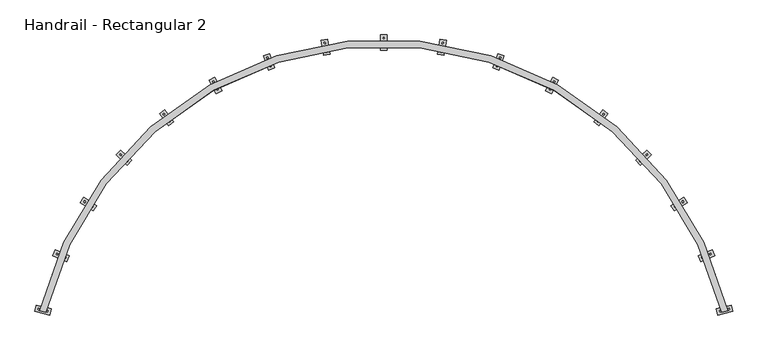
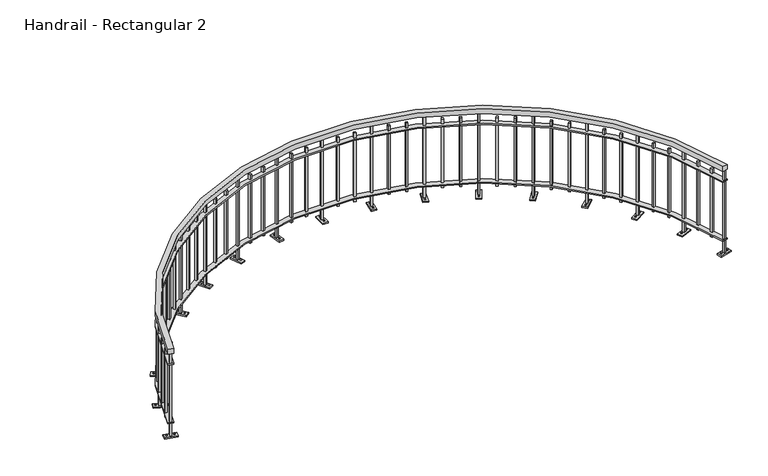
"""IFC4 building model written with IfcOpenShell, lengths in millimetres: railing geometry, Handrail - Rectangular 2."""

from ifc_helpers import new_model, si_unit, point, frame, frame_2d, origin, place, context, project, spatial, polyline, circle_curve, trimmed, segment, composite_curve, outline, extrude, faceted_brep, source, transform, mapped, element, save


def handrail_rectangular_2_38f22702(model_context):
    return source(origin(), model_context, "Body", "SolidModel", [
        extrude(outline(composite_curve([segment(trimmed(circle_curve(frame_2d((-3927.3747421, -3826.2403737)), 2768.6555182), [point((-1235.6807974, -3177.9834132))], [point((-6619.0686868, -3177.9834132))], True, "CARTESIAN"), True, "CONTINUOUS"), segment(polyline([(-6619.0686868, -3177.9834132), (-6668.4565761, -3166.0890286)]), True, "CONTINUOUS"), segment(trimmed(circle_curve(frame_2d((-3927.3747421, -3826.2403737)), 2819.4555182), [point((-6668.4565761, -3166.0890286))], [point((-1186.2929081, -3166.0890286))], False, "CARTESIAN"), True, "CONTINUOUS"), segment(polyline([(-1186.2929081, -3166.0890286), (-1235.6807974, -3177.9834132)]), True, "CONTINUOUS")], self_intersect=False)), frame((0.0, 0.0, 863.6), z_axis=(0.0, 0.0, 1.0), x_axis=(1.0, 0.0, 0.0)), (0.0, 0.0, 1.0), 50.8),
        extrude(outline(composite_curve([segment(trimmed(circle_curve(frame_2d((-3927.3747421, -3826.2403737)), 2768.6555182), [point((-1235.6807974, -3177.9834132))], [point((-6619.0686868, -3177.9834132))], True, "CARTESIAN"), True, "CONTINUOUS"), segment(polyline([(-6619.0686868, -3177.9834132), (-6668.4565761, -3166.0890286)]), True, "CONTINUOUS"), segment(trimmed(circle_curve(frame_2d((-3927.3747421, -3826.2403737)), 2819.4555182), [point((-6668.4565761, -3166.0890286))], [point((-1186.2929081, -3166.0890286))], False, "CARTESIAN"), True, "CONTINUOUS"), segment(polyline([(-1186.2929081, -3166.0890286), (-1235.6807974, -3177.9834132)]), True, "CONTINUOUS")], self_intersect=False)), frame((0.0, 0.0, 749.3), z_axis=(0.0, 0.0, 1.0), x_axis=(1.0, 0.0, 0.0)), (0.0, 0.0, 1.0), 12.7),
        extrude(outline(composite_curve([segment(trimmed(circle_curve(frame_2d((-3927.3747421, -3826.2403737)), 2768.6555182), [point((-1235.6807974, -3177.9834132))], [point((-6619.0686868, -3177.9834132))], True, "CARTESIAN"), True, "CONTINUOUS"), segment(polyline([(-6619.0686868, -3177.9834132), (-6668.4565761, -3166.0890286)]), True, "CONTINUOUS"), segment(trimmed(circle_curve(frame_2d((-3927.3747421, -3826.2403737)), 2819.4555182), [point((-6668.4565761, -3166.0890286))], [point((-1186.2929081, -3166.0890286))], False, "CARTESIAN"), True, "CONTINUOUS"), segment(polyline([(-1186.2929081, -3166.0890286), (-1235.6807974, -3177.9834132)]), True, "CONTINUOUS")], self_intersect=False)), frame((0.0, 0.0, 139.7), z_axis=(0.0, 0.0, 1.0), x_axis=(1.0, 0.0, 0.0)), (0.0, 0.0, 1.0), 12.7),
        extrude(outline(polyline([(-1263.4048487, -3015.7063894), (-1245.1608937, -3010.2236343), (-1239.6781386, -3028.4675894), (-1257.9220937, -3033.9503445), (-1263.4048487, -3015.7063894)])), frame((0.0, 0.0, 101.6), z_axis=(0.0, 0.0, 1.0), x_axis=(1.0, 0.0, 0.0)), (0.0, 0.0, 1.0), 711.2),
        extrude(outline(polyline([(-1312.5663392, -2868.9118258), (-1294.6552768, -2862.4236563), (-1288.1671073, -2880.3347187), (-1306.0781697, -2886.8228882), (-1312.5663392, -2868.9118258)])), frame((0.0, 0.0, 101.6), z_axis=(0.0, 0.0, 1.0), x_axis=(1.0, 0.0, 0.0)), (0.0, 0.0, 1.0), 711.2),
        faceted_brep([(-1311.7874406, -2683.0709327, 0.0), (-1291.8580272, -2729.7984245, 0.0), (-1402.83582, -2777.1307812, 0.0), (-1422.7652334, -2730.4032895, 0.0), (-1369.8098, -2725.0762173, 863.6), (-1352.2869906, -2717.6026873, 863.6), (-1352.2869906, -2717.6026873, 12.7), (-1369.8098, -2725.0762173, 12.7), (-1362.33627, -2742.5990267, 863.6), (-1362.33627, -2742.5990267, 12.7), (-1344.8134606, -2735.1254967, 863.6), (-1344.8134606, -2735.1254967, 12.7), (-1311.7874406, -2683.0709327, 12.7), (-1422.7652334, -2730.4032895, 12.7), (-1402.83582, -2777.1307812, 12.7), (-1291.8580272, -2729.7984245, 12.7)], [[[0, 1, 2, 3]], [[4, 5, 6, 7]], [[8, 4, 7, 9]], [[10, 8, 9, 11]], [[5, 10, 11, 6]], [[5, 4, 8, 10]], [[12, 13, 14, 15], [7, 6, 11, 9]], [[13, 12, 0, 3]], [[14, 13, 3, 2]], [[15, 14, 2, 1]], [[12, 15, 1, 0]]]),
        extrude(outline(polyline([(-1392.3133439, -2737.0577962), (-1385.0341259, -2737.9388858), (-1382.1575628, -2744.6834183), (-1386.5602178, -2750.5468612), (-1393.8394358, -2749.6657716), (-1396.7159988, -2742.9212391), (-1392.3133439, -2737.0577962)])), frame((0.0, 0.0, 12.7), z_axis=(0.0, 0.0, 1.0), x_axis=(1.0, 0.0, 0.0)), (0.0, 0.0, 1.0), 6.35),
        extrude(outline(polyline([(-1328.0630428, -2709.6548528), (-1320.7838248, -2710.5359424), (-1317.9072617, -2717.2804749), (-1322.3099167, -2723.1439178), (-1329.5891347, -2722.2628282), (-1332.4656977, -2715.5182957), (-1328.0630428, -2709.6548528)])), frame((0.0, 0.0, 12.7), z_axis=(0.0, 0.0, 1.0), x_axis=(1.0, 0.0, 0.0)), (0.0, 0.0, 1.0), 6.35),
        extrude(outline(polyline([(-1434.9583003, -2584.6441378), (-1417.8779042, -2576.2083467), (-1409.4421132, -2593.2887428), (-1426.5225093, -2601.7245338), (-1434.9583003, -2584.6441378)])), frame((0.0, 0.0, 101.6), z_axis=(0.0, 0.0, 1.0), x_axis=(1.0, 0.0, 0.0)), (0.0, 0.0, 1.0), 711.2),
        extrude(outline(polyline([(-1507.8104762, -2448.0496411), (-1491.2252863, -2438.6776628), (-1481.853308, -2455.2628527), (-1498.4384979, -2464.6348309), (-1507.8104762, -2448.0496411)])), frame((0.0, 0.0, 101.6), z_axis=(0.0, 0.0, 1.0), x_axis=(1.0, 0.0, 0.0)), (0.0, 0.0, 1.0), 711.2),
        faceted_brep([(-1537.8985061, -2264.6589252, 0.0), (-1510.4873109, -2307.428849, 0.0), (-1612.0658798, -2372.5304376, 0.0), (-1639.477075, -2329.7605138, 0.0), (-1588.1411528, -2315.7149198, 863.6), (-1572.1024313, -2305.4357216, 863.6), (-1572.1024313, -2305.4357216, 12.7), (-1588.1411528, -2315.7149198, 12.7), (-1577.8619546, -2331.7536412, 863.6), (-1577.8619546, -2331.7536412, 12.7), (-1561.8232332, -2321.474443, 863.6), (-1561.8232332, -2321.474443, 12.7), (-1537.8985061, -2264.6589252, 12.7), (-1639.477075, -2329.7605138, 12.7), (-1612.0658798, -2372.5304376, 12.7), (-1510.4873109, -2307.428849, 12.7)], [[[0, 1, 2, 3]], [[4, 5, 6, 7]], [[8, 4, 7, 9]], [[10, 8, 9, 11]], [[5, 10, 11, 6]], [[5, 4, 8, 10]], [[12, 13, 14, 15], [7, 6, 11, 9]], [[13, 12, 0, 3]], [[14, 13, 3, 2]], [[15, 14, 2, 1]], [[12, 15, 1, 0]]]),
        extrude(outline(polyline([(-1608.3429808, -2331.2665713), (-1601.0185077, -2330.9268253), (-1597.0620425, -2337.1001321), (-1600.4300503, -2343.6131848), (-1607.7545234, -2343.9529309), (-1611.7109886, -2337.7796241), (-1608.3429808, -2331.2665713)])), frame((0.0, 0.0, 12.7), z_axis=(0.0, 0.0, 1.0), x_axis=(1.0, 0.0, 0.0)), (0.0, 0.0, 1.0), 6.35),
        extrude(outline(polyline([(-1549.5343356, -2293.576178), (-1542.2098625, -2293.2364319), (-1538.2533973, -2299.4097387), (-1541.6214051, -2305.9227914), (-1548.9458782, -2306.2625375), (-1552.9023435, -2300.0892307), (-1549.5343356, -2293.576178)])), frame((0.0, 0.0, 12.7), z_axis=(0.0, 0.0, 1.0), x_axis=(1.0, 0.0, 0.0)), (0.0, 0.0, 1.0), 6.35),
        extrude(outline(polyline([(-1675.7020403, -2188.0490002), (-1660.2593606, -2176.8943535), (-1649.1047139, -2192.3370332), (-1664.5473936, -2203.4916799), (-1675.7020403, -2188.0490002)])), frame((0.0, 0.0, 101.6), z_axis=(0.0, 0.0, 1.0), x_axis=(1.0, 0.0, 0.0)), (0.0, 0.0, 1.0), 711.2),
        extrude(outline(polyline([(-1770.2225015, -2065.4464779), (-1755.4235944, -2053.45086), (-1743.4279765, -2068.2497671), (-1758.2268836, -2080.245385), (-1770.2225015, -2065.4464779)])), frame((0.0, 0.0, 101.6), z_axis=(0.0, 0.0, 1.0), x_axis=(1.0, 0.0, 0.0)), (0.0, 0.0, 1.0), 711.2),
        faceted_brep([(-1830.3422065, -1889.596925, 0.0), (-1796.2101732, -1927.2219738, 0.0), (-1885.5696643, -2008.285553, 0.0), (-1919.7016976, -1970.6605041, 0.0), (-1871.4103883, -1948.2862985, 863.6), (-1857.300995, -1935.4867861, 863.6), (-1857.300995, -1935.4867861, 12.7), (-1871.4103883, -1948.2862985, 12.7), (-1858.6108758, -1962.3956919, 863.6), (-1858.6108758, -1962.3956919, 12.7), (-1844.5014825, -1949.5961794, 863.6), (-1844.5014825, -1949.5961794, 12.7), (-1830.3422065, -1889.596925, 12.7), (-1919.7016976, -1970.6605041, 12.7), (-1885.5696643, -2008.285553, 12.7), (-1796.2101732, -1927.2219738, 12.7)], [[[0, 1, 2, 3]], [[4, 5, 6, 7]], [[8, 4, 7, 9]], [[10, 8, 9, 11]], [[5, 10, 11, 6]], [[5, 4, 8, 10]], [[12, 13, 14, 15], [7, 6, 11, 9]], [[13, 12, 0, 3]], [[14, 13, 3, 2]], [[15, 14, 2, 1]], [[12, 15, 1, 0]]]),
        extrude(outline(polyline([(-1888.7496911, -1966.9763038), (-1881.5832927, -1965.4251537), (-1876.6567581, -1970.8558617), (-1878.8966218, -1977.8377199), (-1886.0630203, -1979.38887), (-1890.9895549, -1973.958162), (-1888.7496911, -1966.9763038)])), frame((0.0, 0.0, 12.7), z_axis=(0.0, 0.0, 1.0), x_axis=(1.0, 0.0, 0.0)), (0.0, 0.0, 1.0), 6.35),
        extrude(outline(polyline([(-1837.015249, -1920.044758), (-1829.8488505, -1918.4936079), (-1824.9223159, -1923.9243159), (-1827.1621797, -1930.9061741), (-1834.3285781, -1932.4573242), (-1839.2551127, -1927.0266162), (-1837.015249, -1920.044758)])), frame((0.0, 0.0, 12.7), z_axis=(0.0, 0.0, 1.0), x_axis=(1.0, 0.0, 0.0)), (0.0, 0.0, 1.0), 6.35),
        extrude(outline(polyline([(-1978.9529444, -1836.9305862), (-1965.5766748, -1823.3667404), (-1952.0128291, -1836.74301), (-1965.3890987, -1850.3068557), (-1978.9529444, -1836.9305862)])), frame((0.0, 0.0, 101.6), z_axis=(0.0, 0.0, 1.0), x_axis=(1.0, 0.0, 0.0)), (0.0, 0.0, 1.0), 711.2),
        extrude(outline(polyline([(-2092.5177724, -1731.7235241), (-2079.9159705, -1717.4372688), (-2065.6297153, -1730.0390707), (-2078.2315171, -1744.325326), (-2092.5177724, -1731.7235241)])), frame((0.0, 0.0, 101.6), z_axis=(0.0, 0.0, 1.0), x_axis=(1.0, 0.0, 0.0)), (0.0, 0.0, 1.0), 711.2),
        faceted_brep([(-2181.00021, -1568.2967747, 0.0), (-2141.0948549, -1599.7324651, 0.0), (-2215.7546196, -1694.5076835, 0.0), (-2255.6599747, -1663.0719931, 0.0), (-2211.7538608, -1632.9902912, 863.6), (-2199.9654769, -1618.0257831, 863.6), (-2199.9654769, -1618.0257831, 12.7), (-2211.7538608, -1632.9902912, 12.7), (-2196.7893527, -1644.7786751, 863.6), (-2196.7893527, -1644.7786751, 12.7), (-2185.0009688, -1629.814167, 863.6), (-2185.0009688, -1629.814167, 12.7), (-2181.00021, -1568.2967747, 12.7), (-2255.6599747, -1663.0719931, 12.7), (-2215.7546196, -1694.5076835, 12.7), (-2141.0948549, -1599.7324651, 12.7)], [[[0, 1, 2, 3]], [[4, 5, 6, 7]], [[8, 4, 7, 9]], [[10, 8, 9, 11]], [[5, 10, 11, 6]], [[5, 4, 8, 10]], [[12, 13, 14, 15], [7, 6, 11, 9]], [[13, 12, 0, 3]], [[14, 13, 3, 2]], [[15, 14, 2, 1]], [[12, 15, 1, 0]]]),
        extrude(outline(polyline([(-2225.7492938, -1654.2998097), (-2218.9399116, -1651.5803158), (-2213.1800697, -1656.1176669), (-2214.2296101, -1663.3745118), (-2221.0389923, -1666.0940057), (-2226.7988342, -1661.5566546), (-2225.7492938, -1654.2998097)])), frame((0.0, 0.0, 12.7), z_axis=(0.0, 0.0, 1.0), x_axis=(1.0, 0.0, 0.0)), (0.0, 0.0, 1.0), 6.35),
        extrude(outline(polyline([(-2182.5252195, -1599.4299464), (-2175.7158373, -1596.7104525), (-2169.9559954, -1601.2478036), (-2171.0055358, -1608.5046485), (-2177.814918, -1611.2241424), (-2183.5747599, -1606.6867913), (-2182.5252195, -1599.4299464)])), frame((0.0, 0.0, 12.7), z_axis=(0.0, 0.0, 1.0), x_axis=(1.0, 0.0, 0.0)), (0.0, 0.0, 1.0), 6.35),
        extrude(outline(polyline([(-2336.2926693, -1541.0360568), (-2325.3541395, -1525.4395487), (-2309.7576314, -1536.3780785), (-2320.6961612, -1551.9745866), (-2336.2926693, -1541.0360568)])), frame((0.0, 0.0, 101.6), z_axis=(0.0, 0.0, 1.0), x_axis=(1.0, 0.0, 0.0)), (0.0, 0.0, 1.0), 711.2),
        extrude(outline(polyline([(-2465.7492676, -1456.1450371), (-2455.6944011, -1439.9647355), (-2439.5140995, -1450.019602), (-2449.568966, -1466.1999036), (-2465.7492676, -1456.1450371)])), frame((0.0, 0.0, 101.6), z_axis=(0.0, 0.0, 1.0), x_axis=(1.0, 0.0, 0.0)), (0.0, 0.0, 1.0), 711.2),
        faceted_brep([(-2580.1381366, -1309.6778707, 0.0), (-2535.5672453, -1334.0515377, 0.0), (-2593.4547044, -1439.9074047, 0.0), (-2638.0255957, -1415.5337377, 0.0), (-2599.7235252, -1378.5796172, 863.6), (-2590.5834001, -1361.865533, 863.6), (-2590.5834001, -1361.865533, 12.7), (-2599.7235252, -1378.5796172, 12.7), (-2583.0094409, -1387.7197424, 863.6), (-2583.0094409, -1387.7197424, 12.7), (-2573.8693158, -1371.0056581, 863.6), (-2573.8693158, -1371.0056581, 12.7), (-2580.1381366, -1309.6778707, 12.7), (-2638.0255957, -1415.5337377, 12.7), (-2593.4547044, -1439.9074047, 12.7), (-2535.5672453, -1334.0515377, 12.7)], [[[0, 1, 2, 3]], [[4, 5, 6, 7]], [[8, 4, 7, 9]], [[10, 8, 9, 11]], [[5, 10, 11, 6]], [[5, 4, 8, 10]], [[12, 13, 14, 15], [7, 6, 11, 9]], [[13, 12, 0, 3]], [[14, 13, 3, 2]], [[15, 14, 2, 1]], [[12, 15, 1, 0]]]),
        extrude(outline(polyline([(-2609.9865706, -1401.9170897), (-2603.7232352, -1398.1047462), (-2597.2899812, -1401.622782), (-2597.1200625, -1408.9531613), (-2603.3833979, -1412.7655048), (-2609.8166519, -1409.247469), (-2609.9865706, -1401.9170897)])), frame((0.0, 0.0, 12.7), z_axis=(0.0, 0.0, 1.0), x_axis=(1.0, 0.0, 0.0)), (0.0, 0.0, 1.0), 6.35),
        extrude(outline(polyline([(-2576.4727785, -1340.6321141), (-2570.2094431, -1336.8197705), (-2563.7761891, -1340.3378063), (-2563.6062704, -1347.6681857), (-2569.8696058, -1351.4805292), (-2576.3028598, -1347.9624934), (-2576.4727785, -1340.6321141)])), frame((0.0, 0.0, 12.7), z_axis=(0.0, 0.0, 1.0), x_axis=(1.0, 0.0, 0.0)), (0.0, 0.0, 1.0), 6.35),
        extrude(outline(polyline([(-2737.8013484, -1308.57954), (-2729.6042154, -1291.3833338), (-2712.4080091, -1299.5804668), (-2720.6051421, -1316.776673), (-2737.8013484, -1308.57954)])), frame((0.0, 0.0, 101.6), z_axis=(0.0, 0.0, 1.0), x_axis=(1.0, 0.0, 0.0)), (0.0, 0.0, 1.0), 711.2),
        extrude(outline(polyline([(-2879.5559598, -1246.3611649), (-2872.327155, -1228.7359875), (-2854.7019775, -1235.9647923), (-2861.9307823, -1253.5899697), (-2879.5559598, -1246.3611649)])), frame((0.0, 0.0, 101.6), z_axis=(0.0, 0.0, 1.0), x_axis=(1.0, 0.0, 0.0)), (0.0, 0.0, 1.0), 711.2),
        faceted_brep([(-3016.6757882, -1120.9195576, 0.0), (-2968.676663, -1137.5545803, 0.0), (-3008.1848418, -1251.5525026, 0.0), (-3056.183967, -1234.91748, 0.0), (-3024.5492177, -1192.1167993, 863.6), (-3018.3110842, -1174.1171274, 863.6), (-3018.3110842, -1174.1171274, 12.7), (-3024.5492177, -1192.1167993, 12.7), (-3006.5495458, -1198.3549328, 863.6), (-3006.5495458, -1198.3549328, 12.7), (-3000.3114123, -1180.3552609, 863.6), (-3000.3114123, -1180.3552609, 12.7), (-3016.6757882, -1120.9195576, 12.7), (-3056.183967, -1234.91748, 12.7), (-3008.1848418, -1251.5525026, 12.7), (-2968.676663, -1137.5545803, 12.7)], [[[0, 1, 2, 3]], [[4, 5, 6, 7]], [[8, 4, 7, 9]], [[10, 8, 9, 11]], [[5, 10, 11, 6]], [[5, 4, 8, 10]], [[12, 13, 14, 15], [7, 6, 11, 9]], [[13, 12, 0, 3]], [[14, 13, 3, 2]], [[15, 14, 2, 1]], [[12, 15, 1, 0]]]),
        extrude(outline(polyline([(-3030.7949701, -1216.83437), (-3025.2515538, -1212.0350087), (-3018.3234768, -1214.4360674), (-3016.9388161, -1221.6364874), (-3022.4822325, -1226.4358487), (-3029.4103094, -1224.03479), (-3030.7949701, -1216.83437)])), frame((0.0, 0.0, 12.7), z_axis=(0.0, 0.0, 1.0), x_axis=(1.0, 0.0, 0.0)), (0.0, 0.0, 1.0), 6.35),
        extrude(outline(polyline([(-3007.9218139, -1150.8355728), (-3002.3783976, -1146.0362115), (-2995.4503206, -1148.4372702), (-2994.06566, -1155.6376902), (-2999.6090763, -1160.4370515), (-3006.5371532, -1158.0359928), (-3007.9218139, -1150.8355728)])), frame((0.0, 0.0, 12.7), z_axis=(0.0, 0.0, 1.0), x_axis=(1.0, 0.0, 0.0)), (0.0, 0.0, 1.0), 6.35),
        extrude(outline(polyline([(-3172.3329704, -1146.0141042), (-3167.1047894, -1127.695572), (-3148.7862571, -1132.9237531), (-3154.0144382, -1151.2422853), (-3172.3329704, -1146.0141042)])), frame((0.0, 0.0, 101.6), z_axis=(0.0, 0.0, 1.0), x_axis=(1.0, 0.0, 0.0)), (0.0, 0.0, 1.0), 711.2),
        extrude(outline(polyline([(-3322.450441, -1108.195576), (-3318.2483719, -1089.6148033), (-3299.6675992, -1093.8168724), (-3303.8696683, -1112.3976451), (-3322.450441, -1108.195576)])), frame((0.0, 0.0, 101.6), z_axis=(0.0, 0.0, 1.0), x_axis=(1.0, 0.0, 0.0)), (0.0, 0.0, 1.0), 711.2),
        faceted_brep([(-3478.4947379, -1007.2618274, 0.0), (-3428.3998502, -1015.6964121, 0.0), (-3448.4319889, -1134.6717706, 0.0), (-3498.5268767, -1126.2371858, 0.0), (-3474.4376395, -1078.7781058, 863.6), (-3471.2746703, -1059.9925229, 863.6), (-3471.2746703, -1059.9925229, 12.7), (-3474.4376395, -1078.7781058, 12.7), (-3455.6520566, -1081.9410751, 863.6), (-3455.6520566, -1081.9410751, 12.7), (-3452.4890873, -1063.1554922, 863.6), (-3452.4890873, -1063.1554922, 12.7), (-3478.4947379, -1007.2618274, 12.7), (-3498.5268767, -1126.2371858, 12.7), (-3448.4319889, -1134.6717706, 12.7), (-3428.3998502, -1015.6964121, 12.7)], [[[0, 1, 2, 3]], [[4, 5, 6, 7]], [[8, 4, 7, 9]], [[10, 8, 9, 11]], [[5, 10, 11, 6]], [[5, 4, 8, 10]], [[12, 13, 14, 15], [7, 6, 11, 9]], [[13, 12, 0, 3]], [[14, 13, 3, 2]], [[15, 14, 2, 1]], [[12, 15, 1, 0]]]),
        extrude(outline(polyline([(-3476.4927147, -1104.1896069), (-3471.8231045, -1098.5364596), (-3464.5925302, -1099.7538871), (-3462.0315662, -1106.6244618), (-3466.7011764, -1112.277609), (-3473.9317507, -1111.0601816), (-3476.4927147, -1104.1896069)])), frame((0.0, 0.0, 12.7), z_axis=(0.0, 0.0, 1.0), x_axis=(1.0, 0.0, 0.0)), (0.0, 0.0, 1.0), 6.35),
        extrude(outline(polyline([(-3464.8951607, -1035.3091362), (-3460.2255504, -1029.6559889), (-3452.9949762, -1030.8734164), (-3450.4340122, -1037.7439911), (-3455.1036224, -1043.3971383), (-3462.3341966, -1042.1797109), (-3464.8951607, -1035.3091362)])), frame((0.0, 0.0, 12.7), z_axis=(0.0, 0.0, 1.0), x_axis=(1.0, 0.0, 0.0)), (0.0, 0.0, 1.0), 6.35),
        extrude(outline(polyline([(-3627.8247969, -1057.8526186), (-3625.7107037, -1038.9202888), (-3606.778374, -1041.034382), (-3608.8924671, -1059.9667117), (-3627.8247969, -1057.8526186)])), frame((0.0, 0.0, 101.6), z_axis=(0.0, 0.0, 1.0), x_axis=(1.0, 0.0, 0.0)), (0.0, 0.0, 1.0), 711.2),
        extrude(outline(polyline([(-3782.137817, -1045.4837918), (-3781.0791343, -1026.4632321), (-3762.0585746, -1027.5219147), (-3763.1172573, -1046.5424744), (-3782.137817, -1045.4837918)])), frame((0.0, 0.0, 101.6), z_axis=(0.0, 0.0, 1.0), x_axis=(1.0, 0.0, 0.0)), (0.0, 0.0, 1.0), 711.2),
        faceted_brep([(-3952.7747421, -971.8598555, 0.0), (-3901.9747421, -971.8598555, 0.0), (-3901.9747421, -1092.5098555, 0.0), (-3952.7747421, -1092.5098555, 0.0), (-3936.8997421, -1041.7098555, 863.6), (-3936.8997421, -1022.6598555, 863.6), (-3936.8997421, -1022.6598555, 12.7), (-3936.8997421, -1041.7098555, 12.7), (-3917.8497421, -1041.7098555, 863.6), (-3917.8497421, -1041.7098555, 12.7), (-3917.8497421, -1022.6598555, 863.6), (-3917.8497421, -1022.6598555, 12.7), (-3952.7747421, -971.8598555, 12.7), (-3952.7747421, -1092.5098555, 12.7), (-3901.9747421, -1092.5098555, 12.7), (-3901.9747421, -971.8598555, 12.7)], [[[0, 1, 2, 3]], [[4, 5, 6, 7]], [[8, 4, 7, 9]], [[10, 8, 9, 11]], [[5, 10, 11, 6]], [[5, 4, 8, 10]], [[12, 13, 14, 15], [7, 6, 11, 9]], [[13, 12, 0, 3]], [[14, 13, 3, 2]], [[15, 14, 2, 1]], [[12, 15, 1, 0]]]),
        extrude(outline(polyline([(-3934.7070905, -1067.1098555), (-3931.0409163, -1060.7598555), (-3923.7085679, -1060.7598555), (-3920.0423937, -1067.1098555), (-3923.7085679, -1073.4598555), (-3931.0409163, -1073.4598555), (-3934.7070905, -1067.1098555)])), frame((0.0, 0.0, 12.7), z_axis=(0.0, 0.0, 1.0), x_axis=(1.0, 0.0, 0.0)), (0.0, 0.0, 1.0), 6.35),
        extrude(outline(polyline([(-3934.7070905, -997.2598555), (-3931.0409163, -990.9098555), (-3923.7085679, -990.9098555), (-3920.0423937, -997.2598555), (-3923.7085679, -1003.6098555), (-3931.0409163, -1003.6098555), (-3934.7070905, -997.2598555)])), frame((0.0, 0.0, 12.7), z_axis=(0.0, 0.0, 1.0), x_axis=(1.0, 0.0, 0.0)), (0.0, 0.0, 1.0), 6.35),
        extrude(outline(polyline([(-4091.6322269, -1046.5424744), (-4092.6909096, -1027.5219147), (-4073.6703499, -1026.4632321), (-4072.6116672, -1045.4837918), (-4091.6322269, -1046.5424744)])), frame((0.0, 0.0, 101.6), z_axis=(0.0, 0.0, 1.0), x_axis=(1.0, 0.0, 0.0)), (0.0, 0.0, 1.0), 711.2),
        extrude(outline(polyline([(-4245.8570171, -1059.9667117), (-4247.9711103, -1041.034382), (-4229.0387805, -1038.9202888), (-4226.9246873, -1057.8526186), (-4245.8570171, -1059.9667117)])), frame((0.0, 0.0, 101.6), z_axis=(0.0, 0.0, 1.0), x_axis=(1.0, 0.0, 0.0)), (0.0, 0.0, 1.0), 711.2),
        faceted_brep([(-4426.3496341, -1015.6964121, 0.0), (-4376.2547463, -1007.2618274, 0.0), (-4356.2226075, -1126.2371858, 0.0), (-4406.3174953, -1134.6717706, 0.0), (-4399.0974276, -1081.9410751, 863.6), (-4402.2603969, -1063.1554922, 863.6), (-4402.2603969, -1063.1554922, 12.7), (-4399.0974276, -1081.9410751, 12.7), (-4380.3118447, -1078.7781058, 863.6), (-4380.3118447, -1078.7781058, 12.7), (-4383.474814, -1059.9925229, 863.6), (-4383.474814, -1059.9925229, 12.7), (-4426.3496341, -1015.6964121, 12.7), (-4406.3174953, -1134.6717706, 12.7), (-4356.2226075, -1126.2371858, 12.7), (-4376.2547463, -1007.2618274, 12.7)], [[[0, 1, 2, 3]], [[4, 5, 6, 7]], [[8, 4, 7, 9]], [[10, 8, 9, 11]], [[5, 10, 11, 6]], [[5, 4, 8, 10]], [[12, 13, 14, 15], [7, 6, 11, 9]], [[13, 12, 0, 3]], [[14, 13, 3, 2]], [[15, 14, 2, 1]], [[12, 15, 1, 0]]]),
        extrude(outline(polyline([(-4392.717918, -1106.6244618), (-4390.156954, -1099.7538871), (-4382.9263798, -1098.5364596), (-4378.2567696, -1104.1896069), (-4380.8177336, -1111.0601816), (-4388.0483078, -1112.277609), (-4392.717918, -1106.6244618)])), frame((0.0, 0.0, 12.7), z_axis=(0.0, 0.0, 1.0), x_axis=(1.0, 0.0, 0.0)), (0.0, 0.0, 1.0), 6.35),
        extrude(outline(polyline([(-4404.315472, -1037.7439911), (-4401.754508, -1030.8734164), (-4394.5239338, -1029.6559889), (-4389.8543236, -1035.3091362), (-4392.4152876, -1042.1797109), (-4399.6458618, -1043.3971383), (-4404.315472, -1037.7439911)])), frame((0.0, 0.0, 12.7), z_axis=(0.0, 0.0, 1.0), x_axis=(1.0, 0.0, 0.0)), (0.0, 0.0, 1.0), 6.35),
        extrude(outline(polyline([(-4550.8798159, -1112.3976451), (-4555.0818851, -1093.8168724), (-4536.5011123, -1089.6148033), (-4532.2990432, -1108.195576), (-4550.8798159, -1112.3976451)])), frame((0.0, 0.0, 101.6), z_axis=(0.0, 0.0, 1.0), x_axis=(1.0, 0.0, 0.0)), (0.0, 0.0, 1.0), 711.2),
        extrude(outline(polyline([(-4700.735046, -1151.2422853), (-4705.9632271, -1132.9237531), (-4687.6446949, -1127.695572), (-4682.4165138, -1146.0141042), (-4700.735046, -1151.2422853)])), frame((0.0, 0.0, 101.6), z_axis=(0.0, 0.0, 1.0), x_axis=(1.0, 0.0, 0.0)), (0.0, 0.0, 1.0), 711.2),
        faceted_brep([(-4886.0728212, -1137.5545803, 0.0), (-4838.073696, -1120.9195576, 0.0), (-4798.5655172, -1234.91748, 0.0), (-4846.5646424, -1251.5525026, 0.0), (-4848.1999384, -1198.3549328, 863.6), (-4854.4380719, -1180.3552609, 863.6), (-4854.4380719, -1180.3552609, 12.7), (-4848.1999384, -1198.3549328, 12.7), (-4830.2002665, -1192.1167993, 863.6), (-4830.2002665, -1192.1167993, 12.7), (-4836.4384, -1174.1171274, 863.6), (-4836.4384, -1174.1171274, 12.7), (-4886.0728212, -1137.5545803, 12.7), (-4846.5646424, -1251.5525026, 12.7), (-4798.5655172, -1234.91748, 12.7), (-4838.073696, -1120.9195576, 12.7)], [[[0, 1, 2, 3]], [[4, 5, 6, 7]], [[8, 4, 7, 9]], [[10, 8, 9, 11]], [[5, 10, 11, 6]], [[5, 4, 8, 10]], [[12, 13, 14, 15], [7, 6, 11, 9]], [[13, 12, 0, 3]], [[14, 13, 3, 2]], [[15, 14, 2, 1]], [[12, 15, 1, 0]]]),
        extrude(outline(polyline([(-4837.8106681, -1221.6364874), (-4836.4260074, -1214.4360674), (-4829.4979305, -1212.0350087), (-4823.9545142, -1216.83437), (-4825.3391748, -1224.03479), (-4832.2672518, -1226.4358487), (-4837.8106681, -1221.6364874)])), frame((0.0, 0.0, 12.7), z_axis=(0.0, 0.0, 1.0), x_axis=(1.0, 0.0, 0.0)), (0.0, 0.0, 1.0), 6.35),
        extrude(outline(polyline([(-4860.6838243, -1155.6376902), (-4859.2991636, -1148.4372702), (-4852.3710867, -1146.0362115), (-4846.8276703, -1150.8355728), (-4848.212331, -1158.0359928), (-4855.140408, -1160.4370515), (-4860.6838243, -1155.6376902)])), frame((0.0, 0.0, 12.7), z_axis=(0.0, 0.0, 1.0), x_axis=(1.0, 0.0, 0.0)), (0.0, 0.0, 1.0), 6.35),
        extrude(outline(polyline([(-4992.8187019, -1253.5899697), (-5000.0475068, -1235.9647923), (-4982.4223293, -1228.7359875), (-4975.1935245, -1246.3611649), (-4992.8187019, -1253.5899697)])), frame((0.0, 0.0, 101.6), z_axis=(0.0, 0.0, 1.0), x_axis=(1.0, 0.0, 0.0)), (0.0, 0.0, 1.0), 711.2),
        extrude(outline(polyline([(-5134.1443422, -1316.776673), (-5142.3414752, -1299.5804668), (-5125.1452689, -1291.3833338), (-5116.9481359, -1308.57954), (-5134.1443422, -1316.776673)])), frame((0.0, 0.0, 101.6), z_axis=(0.0, 0.0, 1.0), x_axis=(1.0, 0.0, 0.0)), (0.0, 0.0, 1.0), 711.2),
        faceted_brep([(-5319.182239, -1334.0515377, 0.0), (-5274.6113476, -1309.6778707, 0.0), (-5216.7238885, -1415.5337377, 0.0), (-5261.2947799, -1439.9074047, 0.0), (-5271.7400433, -1387.7197424, 863.6), (-5280.8801684, -1371.0056581, 863.6), (-5280.8801684, -1371.0056581, 12.7), (-5271.7400433, -1387.7197424, 12.7), (-5255.025959, -1378.5796172, 863.6), (-5255.025959, -1378.5796172, 12.7), (-5264.1660842, -1361.865533, 863.6), (-5264.1660842, -1361.865533, 12.7), (-5319.182239, -1334.0515377, 12.7), (-5261.2947799, -1439.9074047, 12.7), (-5216.7238885, -1415.5337377, 12.7), (-5274.6113476, -1309.6778707, 12.7)], [[[0, 1, 2, 3]], [[4, 5, 6, 7]], [[8, 4, 7, 9]], [[10, 8, 9, 11]], [[5, 10, 11, 6]], [[5, 4, 8, 10]], [[12, 13, 14, 15], [7, 6, 11, 9]], [[13, 12, 0, 3]], [[14, 13, 3, 2]], [[15, 14, 2, 1]], [[12, 15, 1, 0]]]),
        extrude(outline(polyline([(-5257.6294217, -1408.9531613), (-5257.4595031, -1401.622782), (-5251.026249, -1398.1047462), (-5244.7629136, -1401.9170897), (-5244.9328323, -1409.247469), (-5251.3660863, -1412.7655048), (-5257.6294217, -1408.9531613)])), frame((0.0, 0.0, 12.7), z_axis=(0.0, 0.0, 1.0), x_axis=(1.0, 0.0, 0.0)), (0.0, 0.0, 1.0), 6.35),
        extrude(outline(polyline([(-5291.1432138, -1347.6681857), (-5290.9732952, -1340.3378063), (-5284.5400411, -1336.8197705), (-5278.2767057, -1340.6321141), (-5278.4466244, -1347.9624934), (-5284.8798784, -1351.4805292), (-5291.1432138, -1347.6681857)])), frame((0.0, 0.0, 12.7), z_axis=(0.0, 0.0, 1.0), x_axis=(1.0, 0.0, 0.0)), (0.0, 0.0, 1.0), 6.35),
        extrude(outline(polyline([(-5405.1805182, -1466.1999036), (-5415.2353848, -1450.019602), (-5399.0550832, -1439.9647355), (-5389.0002167, -1456.1450371), (-5405.1805182, -1466.1999036)])), frame((0.0, 0.0, 101.6), z_axis=(0.0, 0.0, 1.0), x_axis=(1.0, 0.0, 0.0)), (0.0, 0.0, 1.0), 711.2),
        extrude(outline(polyline([(-5534.053323, -1551.9745866), (-5544.9918529, -1536.3780785), (-5529.3953448, -1525.4395487), (-5518.4568149, -1541.0360568), (-5534.053323, -1551.9745866)])), frame((0.0, 0.0, 101.6), z_axis=(0.0, 0.0, 1.0), x_axis=(1.0, 0.0, 0.0)), (0.0, 0.0, 1.0), 711.2),
        faceted_brep([(-5713.6546294, -1599.7324651, 0.0), (-5673.7492742, -1568.2967747, 0.0), (-5599.0895095, -1663.0719931, 0.0), (-5638.9948647, -1694.5076835, 0.0), (-5657.9601316, -1644.7786751, 863.6), (-5669.7485155, -1629.814167, 863.6), (-5669.7485155, -1629.814167, 12.7), (-5657.9601316, -1644.7786751, 12.7), (-5642.9956234, -1632.9902912, 863.6), (-5642.9956234, -1632.9902912, 12.7), (-5654.7840073, -1618.0257831, 863.6), (-5654.7840073, -1618.0257831, 12.7), (-5713.6546294, -1599.7324651, 12.7), (-5638.9948647, -1694.5076835, 12.7), (-5599.0895095, -1663.0719931, 12.7), (-5673.7492742, -1568.2967747, 12.7)], [[[0, 1, 2, 3]], [[4, 5, 6, 7]], [[8, 4, 7, 9]], [[10, 8, 9, 11]], [[5, 10, 11, 6]], [[5, 4, 8, 10]], [[12, 13, 14, 15], [7, 6, 11, 9]], [[13, 12, 0, 3]], [[14, 13, 3, 2]], [[15, 14, 2, 1]], [[12, 15, 1, 0]]]),
        extrude(outline(polyline([(-5640.5198742, -1663.3745118), (-5641.5694145, -1656.1176669), (-5635.8095726, -1651.5803158), (-5629.0001904, -1654.2998097), (-5627.9506501, -1661.5566546), (-5633.7104919, -1666.0940057), (-5640.5198742, -1663.3745118)])), frame((0.0, 0.0, 12.7), z_axis=(0.0, 0.0, 1.0), x_axis=(1.0, 0.0, 0.0)), (0.0, 0.0, 1.0), 6.35),
        extrude(outline(polyline([(-5683.7439485, -1608.5046485), (-5684.7934888, -1601.2478036), (-5679.0336469, -1596.7104525), (-5672.2242647, -1599.4299464), (-5671.1747243, -1606.6867913), (-5676.9345662, -1611.2241424), (-5683.7439485, -1608.5046485)])), frame((0.0, 0.0, 12.7), z_axis=(0.0, 0.0, 1.0), x_axis=(1.0, 0.0, 0.0)), (0.0, 0.0, 1.0), 6.35),
        extrude(outline(polyline([(-5776.5179671, -1744.325326), (-5789.119769, -1730.0390707), (-5774.8335137, -1717.4372688), (-5762.2317118, -1731.7235241), (-5776.5179671, -1744.325326)])), frame((0.0, 0.0, 101.6), z_axis=(0.0, 0.0, 1.0), x_axis=(1.0, 0.0, 0.0)), (0.0, 0.0, 1.0), 711.2),
        extrude(outline(polyline([(-5889.3603856, -1850.3068557), (-5902.7366552, -1836.74301), (-5889.1728094, -1823.3667404), (-5875.7965398, -1836.9305862), (-5889.3603856, -1850.3068557)])), frame((0.0, 0.0, 101.6), z_axis=(0.0, 0.0, 1.0), x_axis=(1.0, 0.0, 0.0)), (0.0, 0.0, 1.0), 711.2),
        faceted_brep([(-6058.539311, -1927.2219738, 0.0), (-6024.4072777, -1889.596925, 0.0), (-5935.0477867, -1970.6605041, 0.0), (-5969.17982, -2008.285553, 0.0), (-5996.1386084, -1962.3956919, 863.6), (-6010.2480017, -1949.5961794, 863.6), (-6010.2480017, -1949.5961794, 12.7), (-5996.1386084, -1962.3956919, 12.7), (-5983.3390959, -1948.2862985, 863.6), (-5983.3390959, -1948.2862985, 12.7), (-5997.4484892, -1935.4867861, 863.6), (-5997.4484892, -1935.4867861, 12.7), (-6058.539311, -1927.2219738, 12.7), (-5969.17982, -2008.285553, 12.7), (-5935.0477867, -1970.6605041, 12.7), (-6024.4072777, -1889.596925, 12.7)], [[[0, 1, 2, 3]], [[4, 5, 6, 7]], [[8, 4, 7, 9]], [[10, 8, 9, 11]], [[5, 10, 11, 6]], [[5, 4, 8, 10]], [[12, 13, 14, 15], [7, 6, 11, 9]], [[13, 12, 0, 3]], [[14, 13, 3, 2]], [[15, 14, 2, 1]], [[12, 15, 1, 0]]]),
        extrude(outline(polyline([(-5975.8528624, -1977.8377199), (-5978.0927262, -1970.8558617), (-5973.1661915, -1965.4251537), (-5965.9997931, -1966.9763038), (-5963.7599293, -1973.958162), (-5968.686464, -1979.38887), (-5975.8528624, -1977.8377199)])), frame((0.0, 0.0, 12.7), z_axis=(0.0, 0.0, 1.0), x_axis=(1.0, 0.0, 0.0)), (0.0, 0.0, 1.0), 6.35),
        extrude(outline(polyline([(-6027.5873046, -1930.9061741), (-6029.8271684, -1923.9243159), (-6024.9006337, -1918.4936079), (-6017.7342353, -1920.044758), (-6015.4943715, -1927.0266162), (-6020.4209061, -1932.4573242), (-6027.5873046, -1930.9061741)])), frame((0.0, 0.0, 12.7), z_axis=(0.0, 0.0, 1.0), x_axis=(1.0, 0.0, 0.0)), (0.0, 0.0, 1.0), 6.35),
        extrude(outline(polyline([(-6096.5226006, -2080.245385), (-6111.3215077, -2068.2497671), (-6099.3258898, -2053.45086), (-6084.5269827, -2065.4464779), (-6096.5226006, -2080.245385)])), frame((0.0, 0.0, 101.6), z_axis=(0.0, 0.0, 1.0), x_axis=(1.0, 0.0, 0.0)), (0.0, 0.0, 1.0), 711.2),
        extrude(outline(polyline([(-6190.2020906, -2203.4916799), (-6205.6447704, -2192.3370332), (-6194.4901237, -2176.8943535), (-6179.0474439, -2188.0490002), (-6190.2020906, -2203.4916799)])), frame((0.0, 0.0, 101.6), z_axis=(0.0, 0.0, 1.0), x_axis=(1.0, 0.0, 0.0)), (0.0, 0.0, 1.0), 711.2),
        faceted_brep([(-6344.2621733, -2307.428849, 0.0), (-6316.8509782, -2264.6589252, 0.0), (-6215.2724092, -2329.7605138, 0.0), (-6242.6836044, -2372.5304376, 0.0), (-6276.8875297, -2331.7536412, 863.6), (-6292.9262511, -2321.474443, 863.6), (-6292.9262511, -2321.474443, 12.7), (-6276.8875297, -2331.7536412, 12.7), (-6266.6083315, -2315.7149198, 863.6), (-6266.6083315, -2315.7149198, 12.7), (-6282.6470529, -2305.4357216, 863.6), (-6282.6470529, -2305.4357216, 12.7), (-6344.2621733, -2307.428849, 12.7), (-6242.6836044, -2372.5304376, 12.7), (-6215.2724092, -2329.7605138, 12.7), (-6316.8509782, -2264.6589252, 12.7)], [[[0, 1, 2, 3]], [[4, 5, 6, 7]], [[8, 4, 7, 9]], [[10, 8, 9, 11]], [[5, 10, 11, 6]], [[5, 4, 8, 10]], [[12, 13, 14, 15], [7, 6, 11, 9]], [[13, 12, 0, 3]], [[14, 13, 3, 2]], [[15, 14, 2, 1]], [[12, 15, 1, 0]]]),
        extrude(outline(polyline([(-6254.3194339, -2343.6131848), (-6257.6874418, -2337.1001321), (-6253.7309765, -2330.9268253), (-6246.4065035, -2331.2665713), (-6243.0384956, -2337.7796241), (-6246.9949608, -2343.9529309), (-6254.3194339, -2343.6131848)])), frame((0.0, 0.0, 12.7), z_axis=(0.0, 0.0, 1.0), x_axis=(1.0, 0.0, 0.0)), (0.0, 0.0, 1.0), 6.35),
        extrude(outline(polyline([(-6313.1280791, -2305.9227914), (-6316.4960869, -2299.4097387), (-6312.5396217, -2293.2364319), (-6305.2151486, -2293.576178), (-6301.8471408, -2300.0892307), (-6305.803606, -2306.2625375), (-6313.1280791, -2305.9227914)])), frame((0.0, 0.0, 12.7), z_axis=(0.0, 0.0, 1.0), x_axis=(1.0, 0.0, 0.0)), (0.0, 0.0, 1.0), 6.35),
        extrude(outline(polyline([(-6356.3109863, -2464.6348309), (-6372.8961762, -2455.2628527), (-6363.5241979, -2438.6776628), (-6346.9390081, -2448.0496411), (-6356.3109863, -2464.6348309)])), frame((0.0, 0.0, 101.6), z_axis=(0.0, 0.0, 1.0), x_axis=(1.0, 0.0, 0.0)), (0.0, 0.0, 1.0), 711.2),
        extrude(outline(polyline([(-6428.2269749, -2601.7245338), (-6445.307371, -2593.2887428), (-6436.87158, -2576.2083467), (-6419.7911839, -2584.6441378), (-6428.2269749, -2601.7245338)])), frame((0.0, 0.0, 101.6), z_axis=(0.0, 0.0, 1.0), x_axis=(1.0, 0.0, 0.0)), (0.0, 0.0, 1.0), 711.2),
        faceted_brep([(-6562.8914571, -2729.7984245, 0.0), (-6542.9620437, -2683.0709327, 0.0), (-6431.9842508, -2730.4032895, 0.0), (-6451.9136642, -2777.1307812, 0.0), (-6492.4132143, -2742.5990267, 863.6), (-6509.9360237, -2735.1254967, 863.6), (-6509.9360237, -2735.1254967, 12.7), (-6492.4132143, -2742.5990267, 12.7), (-6484.9396842, -2725.0762173, 863.6), (-6484.9396842, -2725.0762173, 12.7), (-6502.4624936, -2717.6026873, 863.6), (-6502.4624936, -2717.6026873, 12.7), (-6562.8914571, -2729.7984245, 12.7), (-6451.9136642, -2777.1307812, 12.7), (-6431.9842508, -2730.4032895, 12.7), (-6542.9620437, -2683.0709327, 12.7)], [[[0, 1, 2, 3]], [[4, 5, 6, 7]], [[8, 4, 7, 9]], [[10, 8, 9, 11]], [[5, 10, 11, 6]], [[5, 4, 8, 10]], [[12, 13, 14, 15], [7, 6, 11, 9]], [[13, 12, 0, 3]], [[14, 13, 3, 2]], [[15, 14, 2, 1]], [[12, 15, 1, 0]]]),
        extrude(outline(polyline([(-6468.1892664, -2750.5468612), (-6472.5919214, -2744.6834183), (-6469.7153583, -2737.9388858), (-6462.4361404, -2737.0577962), (-6458.0334854, -2742.9212391), (-6460.9100485, -2749.6657716), (-6468.1892664, -2750.5468612)])), frame((0.0, 0.0, 12.7), z_axis=(0.0, 0.0, 1.0), x_axis=(1.0, 0.0, 0.0)), (0.0, 0.0, 1.0), 6.35),
        extrude(outline(polyline([(-6532.4395676, -2723.1439178), (-6536.8422225, -2717.2804749), (-6533.9656594, -2710.5359424), (-6526.6864415, -2709.6548528), (-6522.2837865, -2715.5182957), (-6525.1603496, -2722.2628282), (-6532.4395676, -2723.1439178)])), frame((0.0, 0.0, 12.7), z_axis=(0.0, 0.0, 1.0), x_axis=(1.0, 0.0, 0.0)), (0.0, 0.0, 1.0), 6.35),
        extrude(outline(polyline([(-6548.6713145, -2886.8228882), (-6566.5823769, -2880.3347187), (-6560.0942074, -2862.4236563), (-6542.183145, -2868.9118258), (-6548.6713145, -2886.8228882)])), frame((0.0, 0.0, 101.6), z_axis=(0.0, 0.0, 1.0), x_axis=(1.0, 0.0, 0.0)), (0.0, 0.0, 1.0), 711.2),
        extrude(outline(polyline([(-6596.8273905, -3033.9503445), (-6615.0713456, -3028.4675894), (-6609.5885906, -3010.2236343), (-6591.3446355, -3015.7063894), (-6596.8273905, -3033.9503445)])), frame((0.0, 0.0, 101.6), z_axis=(0.0, 0.0, 1.0), x_axis=(1.0, 0.0, 0.0)), (0.0, 0.0, 1.0), 711.2),
        faceted_brep([(-1160.6645426, -3123.7818518, 0.0), (-1148.601863, -3173.128906, 0.0), (-1265.8011168, -3201.7777702, 0.0), (-1277.8637964, -3152.430716, 0.0), (-1224.7471548, -3155.7889908, 863.6), (-1206.2420095, -3151.2654859, 863.6), (-1206.2420095, -3151.2654859, 12.7), (-1224.7471548, -3155.7889908, 12.7), (-1220.2236499, -3174.2941361, 863.6), (-1220.2236499, -3174.2941361, 12.7), (-1201.7185046, -3169.7706312, 863.6), (-1201.7185046, -3169.7706312, 12.7), (-1160.6645426, -3123.7818518, 12.7), (-1277.8637964, -3152.430716, 12.7), (-1265.8011168, -3201.7777702, 12.7), (-1148.601863, -3173.128906, 12.7)], [[[0, 1, 2, 3]], [[4, 5, 6, 7]], [[8, 4, 7, 9]], [[10, 8, 9, 11]], [[5, 10, 11, 6]], [[5, 4, 8, 10]], [[12, 13, 14, 15], [7, 6, 11, 9]], [[13, 12, 0, 3]], [[14, 13, 3, 2]], [[15, 14, 2, 1]], [[12, 15, 1, 0]]]),
        extrude(outline(polyline([(-1248.9000273, -3163.9502695), (-1241.8610966, -3166.0037514), (-1240.1199988, -3173.1263852), (-1245.4178317, -3178.195537), (-1252.4567623, -3176.1420551), (-1254.1978602, -3169.0194213), (-1248.9000273, -3163.9502695)])), frame((0.0, 0.0, 12.7), z_axis=(0.0, 0.0, 1.0), x_axis=(1.0, 0.0, 0.0)), (0.0, 0.0, 1.0), 6.35),
        extrude(outline(polyline([(-1181.0478278, -3147.364085), (-1174.0088971, -3149.4175669), (-1172.2677992, -3156.5402007), (-1177.5656321, -3161.6093525), (-1184.6045628, -3159.5558706), (-1186.3456606, -3152.4332368), (-1181.0478278, -3147.364085)])), frame((0.0, 0.0, 12.7), z_axis=(0.0, 0.0, 1.0), x_axis=(1.0, 0.0, 0.0)), (0.0, 0.0, 1.0), 6.35),
        faceted_brep([(-6706.1476212, -3173.128906, 0.0), (-6694.0849416, -3123.7818518, 0.0), (-6576.8856878, -3152.430716, 0.0), (-6588.9483675, -3201.7777702, 0.0), (-6634.5258343, -3174.2941361, 863.6), (-6653.0309796, -3169.7706312, 863.6), (-6653.0309796, -3169.7706312, 12.7), (-6634.5258343, -3174.2941361, 12.7), (-6630.0023294, -3155.7889908, 863.6), (-6630.0023294, -3155.7889908, 12.7), (-6648.5074748, -3151.2654859, 863.6), (-6648.5074748, -3151.2654859, 12.7), (-6706.1476212, -3173.128906, 12.7), (-6588.9483675, -3201.7777702, 12.7), (-6576.8856878, -3152.430716, 12.7), (-6694.0849416, -3123.7818518, 12.7)], [[[0, 1, 2, 3]], [[4, 5, 6, 7]], [[8, 4, 7, 9]], [[10, 8, 9, 11]], [[5, 10, 11, 6]], [[5, 4, 8, 10]], [[12, 13, 14, 15], [7, 6, 11, 9]], [[13, 12, 0, 3]], [[14, 13, 3, 2]], [[15, 14, 2, 1]], [[12, 15, 1, 0]]]),
        extrude(outline(polyline([(-6609.3316526, -3178.195537), (-6614.6294854, -3173.1263852), (-6612.8883876, -3166.0037514), (-6605.8494569, -3163.9502695), (-6600.5516241, -3169.0194213), (-6602.2927219, -3176.1420551), (-6609.3316526, -3178.195537)])), frame((0.0, 0.0, 12.7), z_axis=(0.0, 0.0, 1.0), x_axis=(1.0, 0.0, 0.0)), (0.0, 0.0, 1.0), 6.35),
        extrude(outline(polyline([(-6677.1838521, -3161.6093525), (-6682.481685, -3156.5402007), (-6680.7405872, -3149.4175669), (-6673.7016565, -3147.364085), (-6668.4038236, -3152.4332368), (-6670.1449214, -3159.5558706), (-6677.1838521, -3161.6093525)])), frame((0.0, 0.0, 12.7), z_axis=(0.0, 0.0, 1.0), x_axis=(1.0, 0.0, 0.0)), (0.0, 0.0, 1.0), 6.35),
    ])


if __name__ == "__main__":
    model = new_model("IFC4")
    model_context = context("Model", 3, world=origin())
    ifc_project = project(units=[si_unit("LENGTHUNIT", "METRE", prefix="MILLI")], contexts=[model_context])
    site = spatial("IfcSite", under=ifc_project)
    building = spatial("IfcBuilding", under=site)
    placement = place(None, origin())
    handrail_rectangular_2_shape = handrail_rectangular_2_38f22702(model_context)
    element("IfcRailing", 1, ObjectType="Handrail - Rectangular 2", at=placement, inside=building, context=model_context, shape_type="MappedRepresentation", body=[
        mapped(handrail_rectangular_2_shape, transform((0.0, 0.0, 0.0), x_axis=(1.0, 0.0, 0.0), y_axis=(0.0, 1.0, 0.0), z_axis=(0.0, 0.0, 1.0))),
    ])
    save(model, "model.ifc")
